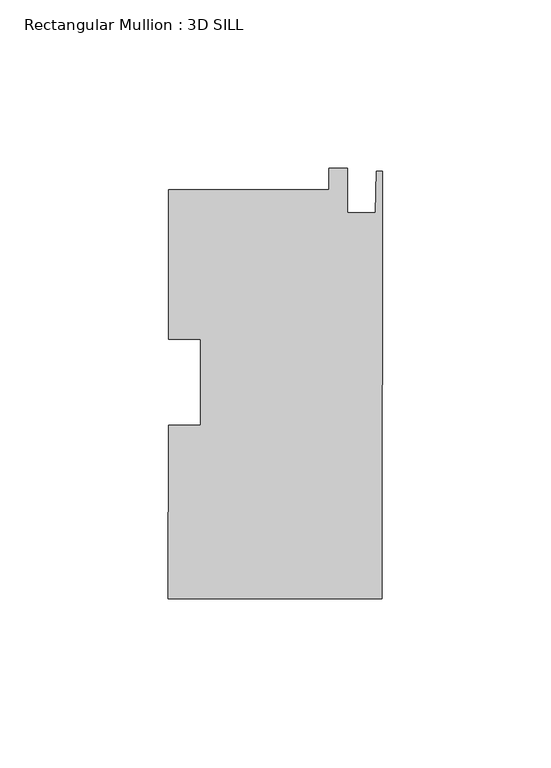
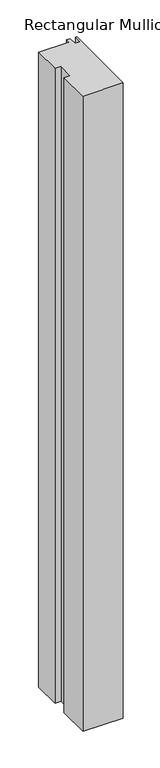
"""IFC4 building model written with IfcOpenShell, lengths in millimetres: member geometry, Rectangular Mullion : 3D SILL."""

from ifc_helpers import new_model, si_unit, frame, origin, place, context, project, spatial, polyline, outline, extrude, source, transform, mapped, element, save


def rectangular_mullion_3d_sill_ed922760(model_context):
    return source(origin(), model_context, "Body", "SweptSolid", [
        extrude(outline(polyline([(-15.8785297, 57.0944487), (-15.8744967, 63.4444474), (-10.3118978, 63.4409144), (-10.3202382, 50.3091171), (-2.0398398, 50.303858), (-1.7779996, 62.6480942), (0.0, 62.6469649), (-0.0806567, -64.3465324), (-63.5806439, -64.306202), (-63.5479185, -12.7802285), (-54.0229204, -12.7862781), (-54.0067326, 12.7014151), (-63.5317306, 12.7074647), (-63.5035201, 57.1246965), (-15.8785297, 57.0944487)])), frame((0.0, 0.0, -1060.45), z_axis=(0.0, 0.0, 1.0), x_axis=(1.0, 0.0, 0.0)), (0.0, 0.0, 1.0), 1060.45),
    ])


if __name__ == "__main__":
    model = new_model("IFC4")
    model_context = context("Model", 3, world=origin())
    ifc_project = project(units=[si_unit("LENGTHUNIT", "METRE", prefix="MILLI")], contexts=[model_context])
    site = spatial("IfcSite", under=ifc_project)
    building = spatial("IfcBuilding", under=site)
    placement = place(None, origin())
    rectangular_mullion_3d_sill_shape = rectangular_mullion_3d_sill_ed922760(model_context)
    element("IfcMember", 1, ObjectType="Rectangular Mullion : 3D SILL", at=placement, inside=building, context=model_context, shape_type="MappedRepresentation", body=[
        mapped(rectangular_mullion_3d_sill_shape, transform((0.0, 0.0, 0.0), x_axis=(1.0, 0.0, 0.0), y_axis=(0.0, 1.0, 0.0), z_axis=(0.0, 0.0, 1.0))),
    ])
    save(model, "model.ifc")
